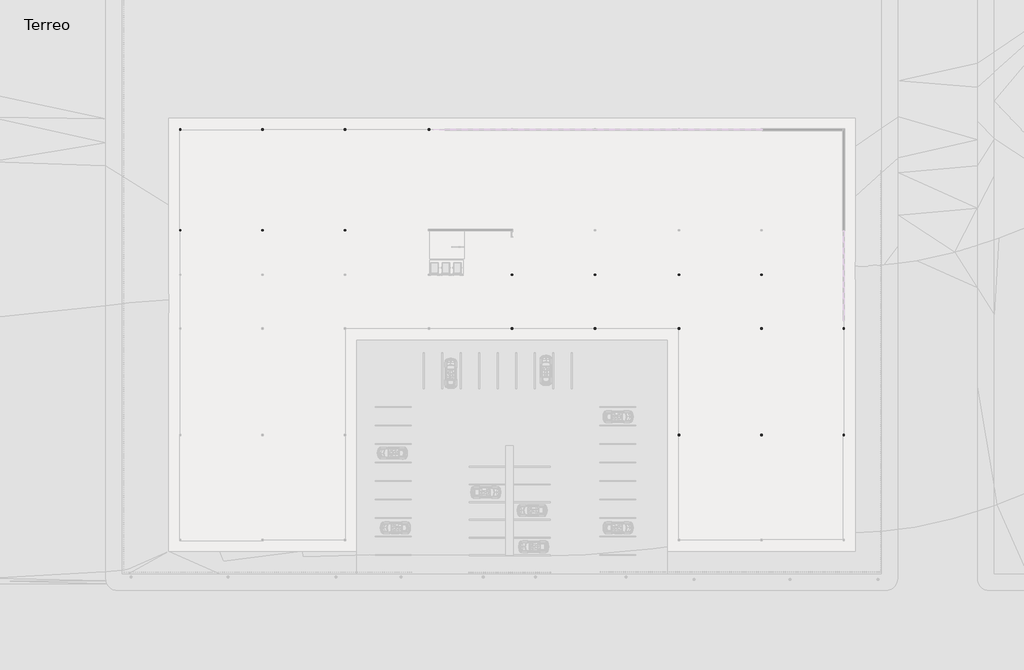
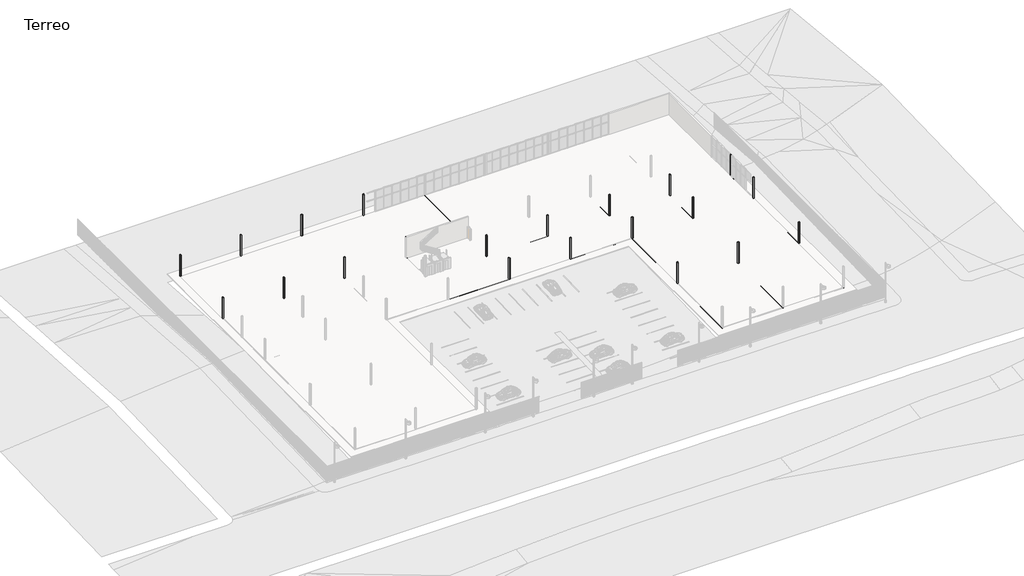
# One storey, part 12 of 14: 43 beams, 22 columns.
"""IFC4 building model written with IfcOpenShell, lengths in millimetres."""

from ifc_helpers import new_model, si_unit, frame, origin, place, context, project, spatial, polyline, outline, extrude, faceted_brep, element, save

model = new_model("IFC4")

# Units and contexts
model_context = context("Model", 3, world=origin())
ifc_project = project(units=[si_unit("LENGTHUNIT", "METRE", prefix="MILLI")], contexts=[model_context])

# Site, building, storey
site = spatial("IfcSite", under=ifc_project)
building = spatial("IfcBuilding", under=site)
storey = spatial("IfcBuildingStorey", under=building, Name="Terreo", Elevation=3000.0)

# Beams
placement = place(None, origin())
element("IfcBeam", 1, ObjectType="M_Concrete-Rectangular Beam : viga 20 x 30", at=placement, inside=storey, context=model_context, shape_type="Brep", body=[
    faceted_brep([(-34462.3640117, 47992.3438207, 2950.0), (-34662.3640117, 47992.3438207, 2950.0), (-34662.3640117, 34682.429968, 2950.0), (-34462.3640117, 34682.429968, 2950.0), (-34462.3640117, 47792.3438207, 2950.0), (-34462.3640117, 47992.3438207, 2650.0), (-34462.3640117, 34682.429968, 2650.0), (-34462.3640117, 47792.3438207, 2650.0), (-34662.3640117, 47992.3438207, 2650.0), (-34662.3640117, 34682.429968, 2650.0)], [[[0, 1, 2, 3, 4]], [[5, 0, 4, 3, 6, 7]], [[8, 5, 7, 6, 9]], [[1, 8, 9, 2]], [[1, 0, 5, 8]], [[3, 2, 9, 6]]]),
])
element("IfcBeam", 2, ObjectType="M_Concrete-Rectangular Beam : viga 20 x 30", at=placement, inside=storey, context=model_context, shape_type="Brep", body=[
    faceted_brep([(-12662.3640117, 47992.3438207, 2950.0), (-12862.3640117, 47992.3438207, 2950.0), (-12862.3640117, 47792.3438207, 2950.0), (-12862.3640117, 34682.429968, 2950.0), (-12662.3640117, 34682.429968, 2950.0), (-12662.3640117, 47792.3438207, 2950.0), (-12662.3640117, 47992.3438207, 2650.0), (-12662.3640117, 34682.429968, 2650.0), (-12662.3640117, 47792.3438207, 2650.0), (-12862.3640117, 47992.3438207, 2650.0), (-12862.3640117, 34682.429968, 2650.0), (-12862.3640117, 47792.3438207, 2650.0)], [[[0, 1, 2, 3, 4, 5]], [[6, 0, 5, 4, 7, 8]], [[9, 6, 8, 7, 10, 11]], [[1, 9, 11, 10, 3, 2]], [[1, 0, 6, 9]], [[4, 3, 10, 7]]]),
])
element("IfcBeam", 3, ObjectType="M_Concrete-Rectangular Beam : viga 20 x 30", at=placement, inside=storey, context=model_context, shape_type="Brep", body=[
    faceted_brep([(31537.6359883, 7592.3438207, 2950.0), (31337.6359883, 7592.3438207, 2950.0), (31337.6359883, -6507.6561793, 2950.0), (31537.6359883, -6507.6561793, 2950.0), (31537.6359883, -6307.6561793, 2950.0), (31537.6359883, 7392.3438207, 2950.0), (31537.6359883, 7592.3438207, 2650.0), (31537.6359883, -6507.6561793, 2650.0), (31537.6359883, -6307.6561793, 2650.0), (31537.6359883, 7392.3438207, 2650.0), (31337.6359883, 7592.3438207, 2650.0), (31337.6359883, -6507.6561793, 2650.0)], [[[0, 1, 2, 3, 4, 5]], [[6, 0, 5, 4, 3, 7, 8, 9]], [[10, 6, 9, 8, 7, 11]], [[1, 10, 11, 2]], [[1, 0, 6, 10]], [[3, 2, 11, 7]]]),
])
element("IfcBeam", 4, ObjectType="M_Concrete-Rectangular Beam : viga 20 x 30", at=placement, inside=storey, context=model_context, shape_type="Brep", body=[
    faceted_brep([(31537.6359883, 21692.3438207, 2950.0), (31337.6359883, 21692.3438207, 2950.0), (31337.6359883, 21492.3438207, 2950.0), (31337.6359883, 7592.3438207, 2950.0), (31537.6359883, 7592.3438207, 2950.0), (31537.6359883, 21492.3438207, 2950.0), (31537.6359883, 21692.3438207, 2650.0), (31537.6359883, 7592.3438207, 2650.0), (31537.6359883, 21492.3438207, 2650.0), (31337.6359883, 21692.3438207, 2650.0), (31337.6359883, 7592.3438207, 2650.0), (31337.6359883, 21492.3438207, 2650.0)], [[[0, 1, 2, 3, 4, 5]], [[6, 0, 5, 4, 7, 8]], [[9, 6, 8, 7, 10, 11]], [[1, 9, 11, 10, 3, 2]], [[1, 0, 6, 9]], [[4, 3, 10, 7]]]),
])
element("IfcBeam", 5, ObjectType="M_Concrete-Rectangular Beam : viga 20 x 30", at=placement, inside=storey, context=model_context, shape_type="Brep", body=[
    faceted_brep([(31537.6359883, 28792.3438207, 2950.0), (31337.6359883, 28792.3438207, 2950.0), (31337.6359883, 28592.3438207, 2950.0), (31337.6359883, 21692.3438207, 2950.0), (31537.6359883, 21692.3438207, 2950.0), (31537.6359883, 28592.3438207, 2950.0), (31537.6359883, 28792.3438207, 2650.0), (31537.6359883, 21692.3438207, 2650.0), (31537.6359883, 28592.3438207, 2650.0), (31337.6359883, 28792.3438207, 2650.0), (31337.6359883, 21692.3438207, 2650.0), (31337.6359883, 28592.3438207, 2650.0)], [[[0, 1, 2, 3, 4, 5]], [[6, 0, 5, 4, 7, 8]], [[9, 6, 8, 7, 10, 11]], [[1, 9, 11, 10, 3, 2]], [[1, 0, 6, 9]], [[4, 3, 10, 7]]]),
])
element("IfcBeam", 6, ObjectType="M_Concrete-Rectangular Beam : viga 20 x 30", at=placement, inside=storey, context=model_context, shape_type="Brep", body=[
    faceted_brep([(31537.6359883, 34682.429968, 2950.0), (31337.6359883, 34682.429968, 2950.0), (31337.6359883, 34482.429968, 2950.0), (31337.6359883, 28792.3438207, 2950.0), (31537.6359883, 28792.3438207, 2950.0), (31537.6359883, 34482.429968, 2950.0), (31537.6359883, 34682.429968, 2650.0), (31537.6359883, 28792.3438207, 2650.0), (31537.6359883, 34482.429968, 2650.0), (31337.6359883, 34682.429968, 2650.0), (31337.6359883, 28792.3438207, 2650.0), (31337.6359883, 34482.429968, 2650.0)], [[[0, 1, 2, 3, 4, 5]], [[6, 0, 5, 4, 7, 8]], [[9, 6, 8, 7, 10, 11]], [[1, 9, 11, 10, 3, 2]], [[1, 0, 6, 9]], [[4, 3, 10, 7]]]),
])
element("IfcBeam", 7, ObjectType="M_Concrete-Rectangular Beam : viga 20 x 30", at=placement, inside=storey, context=model_context, shape_type="Brep", body=[
    faceted_brep([(53337.6359883, 7592.3438207, 2950.0), (53137.6359883, 7592.3438207, 2950.0), (53137.6359883, 7392.3438207, 2950.0), (53137.6359883, -6307.6561793, 2950.0), (53137.6359883, -6507.6561793, 2950.0), (53337.6359883, -6507.6561793, 2950.0), (53337.6359883, 7592.3438207, 2650.0), (53337.6359883, -6507.6561793, 2650.0), (53137.6359883, 7592.3438207, 2650.0), (53137.6359883, -6507.6561793, 2650.0), (53137.6359883, -6307.6561793, 2650.0), (53137.6359883, 7392.3438207, 2650.0)], [[[0, 1, 2, 3, 4, 5]], [[6, 0, 5, 7]], [[8, 6, 7, 9, 10, 11]], [[1, 8, 11, 10, 9, 4, 3, 2]], [[1, 0, 6, 8]], [[5, 4, 9, 7]]]),
])
element("IfcBeam", 8, ObjectType="M_Concrete-Rectangular Beam : viga 20 x 30", at=placement, inside=storey, context=model_context, shape_type="Brep", body=[
    faceted_brep([(53337.6359883, 21692.3438207, 2950.0), (53137.6359883, 21692.3438207, 2950.0), (53137.6359883, 21492.3438207, 2950.0), (53137.6359883, 7592.3438207, 2950.0), (53337.6359883, 7592.3438207, 2950.0), (53337.6359883, 21692.3438207, 2650.0), (53337.6359883, 7592.3438207, 2650.0), (53137.6359883, 21692.3438207, 2650.0), (53137.6359883, 7592.3438207, 2650.0), (53137.6359883, 21492.3438207, 2650.0)], [[[0, 1, 2, 3, 4]], [[5, 0, 4, 6]], [[7, 5, 6, 8, 9]], [[1, 7, 9, 8, 3, 2]], [[1, 0, 5, 7]], [[4, 3, 8, 6]]]),
])
element("IfcBeam", 9, ObjectType="M_Concrete-Rectangular Beam : viga 20 x 30", at=placement, inside=storey, context=model_context, shape_type="Brep", body=[
    faceted_brep([(53337.6359883, 28792.3438207, 2950.0), (53137.6359883, 28792.3438207, 2950.0), (53137.6359883, 28592.3438207, 2950.0), (53137.6359883, 21692.3438207, 2950.0), (53337.6359883, 21692.3438207, 2950.0), (53337.6359883, 28792.3438207, 2650.0), (53337.6359883, 21692.3438207, 2650.0), (53137.6359883, 28792.3438207, 2650.0), (53137.6359883, 21692.3438207, 2650.0), (53137.6359883, 28592.3438207, 2650.0)], [[[0, 1, 2, 3, 4]], [[5, 0, 4, 6]], [[7, 5, 6, 8, 9]], [[1, 7, 9, 8, 3, 2]], [[1, 0, 5, 7]], [[4, 3, 8, 6]]]),
])
element("IfcBeam", 10, ObjectType="M_Concrete-Rectangular Beam : viga 20 x 30", at=placement, inside=storey, context=model_context, shape_type="Brep", body=[
    faceted_brep([(53337.6359883, 34682.429968, 2950.0), (53137.6359883, 34682.429968, 2950.0), (53137.6359883, 34482.429968, 2950.0), (53137.6359883, 28792.3438207, 2950.0), (53337.6359883, 28792.3438207, 2950.0), (53337.6359883, 34682.429968, 2650.0), (53337.6359883, 28792.3438207, 2650.0), (53137.6359883, 34682.429968, 2650.0), (53137.6359883, 28792.3438207, 2650.0), (53137.6359883, 34482.429968, 2650.0)], [[[0, 1, 2, 3, 4]], [[5, 0, 4, 6]], [[7, 5, 6, 8, 9]], [[1, 7, 9, 8, 3, 2]], [[1, 0, 5, 7]], [[4, 3, 8, 6]]]),
])
element("IfcBeam", 11, ObjectType="M_Concrete-Rectangular Beam : viga 20 x 30", at=placement, inside=storey, context=model_context, shape_type="Brep", body=[
    faceted_brep([(-23562.3640117, 47992.3438207, 2950.0), (-23762.3640117, 47992.3438207, 2950.0), (-23762.3640117, 47792.3438207, 2950.0), (-23762.3640117, 34682.429968, 2950.0), (-23562.3640117, 34682.429968, 2950.0), (-23562.3640117, 47792.3438207, 2950.0), (-23562.3640117, 47992.3438207, 2650.0), (-23562.3640117, 34682.429968, 2650.0), (-23562.3640117, 47792.3438207, 2650.0), (-23762.3640117, 47992.3438207, 2650.0), (-23762.3640117, 34682.429968, 2650.0), (-23762.3640117, 47792.3438207, 2650.0)], [[[0, 1, 2, 3, 4, 5]], [[6, 0, 5, 4, 7, 8]], [[9, 6, 8, 7, 10, 11]], [[1, 9, 11, 10, 3, 2]], [[1, 0, 6, 9]], [[4, 3, 10, 7]]]),
])
element("IfcBeam", 12, ObjectType="M_Concrete-Rectangular Beam : viga 20 x 30", at=placement, inside=storey, context=model_context, shape_type="Brep", body=[
    faceted_brep([(42437.6359883, 7592.3438207, 2950.0), (42237.6359883, 7592.3438207, 2950.0), (42237.6359883, 7392.3438207, 2950.0), (42237.6359883, -6307.6561793, 2950.0), (42237.6359883, -6507.6561793, 2950.0), (42437.6359883, -6507.6561793, 2950.0), (42437.6359883, -6307.6561793, 2950.0), (42437.6359883, 7392.3438207, 2950.0), (42437.6359883, 7592.3438207, 2650.0), (42437.6359883, -6507.6561793, 2650.0), (42437.6359883, -6307.6561793, 2650.0), (42437.6359883, 7392.3438207, 2650.0), (42237.6359883, 7592.3438207, 2650.0), (42237.6359883, -6507.6561793, 2650.0), (42237.6359883, -6307.6561793, 2650.0), (42237.6359883, 7392.3438207, 2650.0)], [[[0, 1, 2, 3, 4, 5, 6, 7]], [[8, 0, 7, 6, 5, 9, 10, 11]], [[12, 8, 11, 10, 9, 13, 14, 15]], [[1, 12, 15, 14, 13, 4, 3, 2]], [[1, 0, 8, 12]], [[5, 4, 13, 9]]]),
])
element("IfcBeam", 13, ObjectType="M_Concrete-Rectangular Beam : viga 20 x 30", at=placement, inside=storey, context=model_context, shape_type="Brep", body=[
    faceted_brep([(42437.6359883, 21692.3438207, 2950.0), (42237.6359883, 21692.3438207, 2950.0), (42237.6359883, 21492.3438207, 2950.0), (42237.6359883, 7592.3438207, 2950.0), (42437.6359883, 7592.3438207, 2950.0), (42437.6359883, 21492.3438207, 2950.0), (42437.6359883, 21692.3438207, 2650.0), (42437.6359883, 7592.3438207, 2650.0), (42437.6359883, 21492.3438207, 2650.0), (42237.6359883, 21692.3438207, 2650.0), (42237.6359883, 7592.3438207, 2650.0), (42237.6359883, 21492.3438207, 2650.0)], [[[0, 1, 2, 3, 4, 5]], [[6, 0, 5, 4, 7, 8]], [[9, 6, 8, 7, 10, 11]], [[1, 9, 11, 10, 3, 2]], [[1, 0, 6, 9]], [[4, 3, 10, 7]]]),
])
element("IfcBeam", 14, ObjectType="M_Concrete-Rectangular Beam : viga 20 x 30", at=placement, inside=storey, context=model_context, shape_type="Brep", body=[
    faceted_brep([(42437.6359883, 28792.3438207, 2950.0), (42237.6359883, 28792.3438207, 2950.0), (42237.6359883, 28592.3438207, 2950.0), (42237.6359883, 21692.3438207, 2950.0), (42437.6359883, 21692.3438207, 2950.0), (42437.6359883, 28592.3438207, 2950.0), (42437.6359883, 28792.3438207, 2650.0), (42437.6359883, 21692.3438207, 2650.0), (42437.6359883, 28592.3438207, 2650.0), (42237.6359883, 28792.3438207, 2650.0), (42237.6359883, 21692.3438207, 2650.0), (42237.6359883, 28592.3438207, 2650.0)], [[[0, 1, 2, 3, 4, 5]], [[6, 0, 5, 4, 7, 8]], [[9, 6, 8, 7, 10, 11]], [[1, 9, 11, 10, 3, 2]], [[1, 0, 6, 9]], [[4, 3, 10, 7]]]),
])
element("IfcBeam", 15, ObjectType="M_Concrete-Rectangular Beam : viga 20 x 30", at=placement, inside=storey, context=model_context, shape_type="Brep", body=[
    faceted_brep([(42437.6359883, 34682.429968, 2950.0), (42237.6359883, 34682.429968, 2950.0), (42237.6359883, 34482.429968, 2950.0), (42237.6359883, 28792.3438207, 2950.0), (42437.6359883, 28792.3438207, 2950.0), (42437.6359883, 34482.429968, 2950.0), (42437.6359883, 34682.429968, 2650.0), (42437.6359883, 28792.3438207, 2650.0), (42437.6359883, 34482.429968, 2650.0), (42237.6359883, 34682.429968, 2650.0), (42237.6359883, 28792.3438207, 2650.0), (42237.6359883, 34482.429968, 2650.0)], [[[0, 1, 2, 3, 4, 5]], [[6, 0, 5, 4, 7, 8]], [[9, 6, 8, 7, 10, 11]], [[1, 9, 11, 10, 3, 2]], [[1, 0, 6, 9]], [[4, 3, 10, 7]]]),
])
element("IfcBeam", 16, ObjectType="M_Concrete-Rectangular Beam : viga 20 x 30", at=placement, inside=storey, context=model_context, shape_type="Brep", body=[
    faceted_brep([(9437.6359883, 28792.3438207, 2950.0), (9237.6359883, 28792.3438207, 2950.0), (9237.6359883, 28592.3438207, 2950.0), (9237.6359883, 21692.3438207, 2950.0), (9237.6359883, 21492.3438207, 2950.0), (9437.6359883, 21492.3438207, 2950.0), (9437.6359883, 21692.3438207, 2950.0), (9437.6359883, 28592.3438207, 2950.0), (9437.6359883, 28792.3438207, 2650.0), (9437.6359883, 21492.3438207, 2650.0), (9437.6359883, 21692.3438207, 2650.0), (9437.6359883, 28592.3438207, 2650.0), (9237.6359883, 28792.3438207, 2650.0), (9237.6359883, 21492.3438207, 2650.0), (9237.6359883, 21692.3438207, 2650.0), (9237.6359883, 28592.3438207, 2650.0)], [[[0, 1, 2, 3, 4, 5, 6, 7]], [[8, 0, 7, 6, 5, 9, 10, 11]], [[12, 8, 11, 10, 9, 13, 14, 15]], [[1, 12, 15, 14, 13, 4, 3, 2]], [[1, 0, 8, 12]], [[5, 4, 13, 9]]]),
])
element("IfcBeam", 17, ObjectType="M_Concrete-Rectangular Beam : viga 20 x 30", at=placement, inside=storey, context=model_context, shape_type="Brep", body=[
    faceted_brep([(9437.6359883, 34682.429968, 2950.0), (9237.6359883, 34682.429968, 2950.0), (9237.6359883, 34482.429968, 2950.0), (9237.6359883, 28792.3438207, 2950.0), (9437.6359883, 28792.3438207, 2950.0), (9437.6359883, 34482.429968, 2950.0), (9437.6359883, 34682.429968, 2650.0), (9437.6359883, 28792.3438207, 2650.0), (9437.6359883, 34482.429968, 2650.0), (9237.6359883, 34682.429968, 2650.0), (9237.6359883, 28792.3438207, 2650.0), (9237.6359883, 34482.429968, 2650.0)], [[[0, 1, 2, 3, 4, 5]], [[6, 0, 5, 4, 7, 8]], [[9, 6, 8, 7, 10, 11]], [[1, 9, 11, 10, 3, 2]], [[1, 0, 6, 9]], [[4, 3, 10, 7]]]),
])
element("IfcBeam", 18, ObjectType="M_Concrete-Rectangular Beam : viga 20 x 30", at=placement, inside=storey, context=model_context, shape_type="Brep", body=[
    faceted_brep([(9437.6359883, 47992.3438207, 2950.0), (9237.6359883, 47992.3438207, 2950.0), (9237.6359883, 47792.3438207, 2950.0), (9237.6359883, 34682.429968, 2950.0), (9437.6359883, 34682.429968, 2950.0), (9437.6359883, 47792.3438207, 2950.0), (9437.6359883, 47992.3438207, 2650.0), (9437.6359883, 34682.429968, 2650.0), (9437.6359883, 47792.3438207, 2650.0), (9237.6359883, 47992.3438207, 2650.0), (9237.6359883, 34682.429968, 2650.0), (9237.6359883, 47792.3438207, 2650.0)], [[[0, 1, 2, 3, 4, 5]], [[6, 0, 5, 4, 7, 8]], [[9, 6, 8, 7, 10, 11]], [[1, 9, 11, 10, 3, 2]], [[1, 0, 6, 9]], [[4, 3, 10, 7]]]),
])
element("IfcBeam", 19, ObjectType="M_Concrete-Rectangular Beam : viga 20 x 30", at=placement, inside=storey, context=model_context, shape_type="Brep", body=[
    faceted_brep([(20437.6359883, 28792.3438207, 2950.0), (20237.6359883, 28792.3438207, 2950.0), (20237.6359883, 28592.3438207, 2950.0), (20237.6359883, 21692.3438207, 2950.0), (20237.6359883, 21492.3438207, 2950.0), (20437.6359883, 21492.3438207, 2950.0), (20437.6359883, 21692.3438207, 2950.0), (20437.6359883, 28592.3438207, 2950.0), (20437.6359883, 28792.3438207, 2650.0), (20437.6359883, 21492.3438207, 2650.0), (20437.6359883, 21692.3438207, 2650.0), (20437.6359883, 28592.3438207, 2650.0), (20237.6359883, 28792.3438207, 2650.0), (20237.6359883, 21492.3438207, 2650.0), (20237.6359883, 21692.3438207, 2650.0), (20237.6359883, 28592.3438207, 2650.0)], [[[0, 1, 2, 3, 4, 5, 6, 7]], [[8, 0, 7, 6, 5, 9, 10, 11]], [[12, 8, 11, 10, 9, 13, 14, 15]], [[1, 12, 15, 14, 13, 4, 3, 2]], [[1, 0, 8, 12]], [[5, 4, 13, 9]]]),
])
element("IfcBeam", 20, ObjectType="M_Concrete-Rectangular Beam : viga 20 x 30", at=placement, inside=storey, context=model_context, shape_type="Brep", body=[
    faceted_brep([(20437.6359883, 34682.429968, 2950.0), (20237.6359883, 34682.429968, 2950.0), (20237.6359883, 34482.429968, 2950.0), (20237.6359883, 28792.3438207, 2950.0), (20437.6359883, 28792.3438207, 2950.0), (20437.6359883, 34482.429968, 2950.0), (20437.6359883, 34682.429968, 2650.0), (20437.6359883, 28792.3438207, 2650.0), (20437.6359883, 34482.429968, 2650.0), (20237.6359883, 34682.429968, 2650.0), (20237.6359883, 28792.3438207, 2650.0), (20237.6359883, 34482.429968, 2650.0)], [[[0, 1, 2, 3, 4, 5]], [[6, 0, 5, 4, 7, 8]], [[9, 6, 8, 7, 10, 11]], [[1, 9, 11, 10, 3, 2]], [[1, 0, 6, 9]], [[4, 3, 10, 7]]]),
])
element("IfcBeam", 21, ObjectType="M_Concrete-Rectangular Beam : viga 20 x 30", at=placement, inside=storey, context=model_context, shape_type="Brep", body=[
    faceted_brep([(-1562.3640117, 34682.429968, 2950.0), (-1762.3640117, 34682.429968, 2950.0), (-1762.3640117, 34482.429968, 2950.0), (-1762.3640117, 28792.3438207, 2950.0), (-1562.3640117, 28792.3438207, 2950.0), (-1562.3640117, 34482.429968, 2950.0), (-1562.3640117, 34682.429968, 2650.0), (-1562.3640117, 28792.3438207, 2650.0), (-1562.3640117, 34482.429968, 2650.0), (-1762.3640117, 34682.429968, 2650.0), (-1762.3640117, 28792.3438207, 2650.0), (-1762.3640117, 34482.429968, 2650.0)], [[[0, 1, 2, 3, 4, 5]], [[6, 0, 5, 4, 7, 8]], [[9, 6, 8, 7, 10, 11]], [[1, 9, 11, 10, 3, 2]], [[1, 0, 6, 9]], [[4, 3, 10, 7]]]),
])
element("IfcBeam", 22, ObjectType="M_Concrete-Rectangular Beam : viga 20 x 30", at=placement, inside=storey, context=model_context, shape_type="Brep", body=[
    faceted_brep([(-1562.3640117, 47992.3438207, 2950.0), (-1762.3640117, 47992.3438207, 2950.0), (-1762.3640117, 47792.3438207, 2950.0), (-1762.3640117, 34682.429968, 2950.0), (-1562.3640117, 34682.429968, 2950.0), (-1562.3640117, 47792.3438207, 2950.0), (-1562.3640117, 47992.3438207, 2650.0), (-1562.3640117, 34682.429968, 2650.0), (-1562.3640117, 47792.3438207, 2650.0), (-1762.3640117, 47992.3438207, 2650.0), (-1762.3640117, 34682.429968, 2650.0), (-1762.3640117, 47792.3438207, 2650.0)], [[[0, 1, 2, 3, 4, 5]], [[6, 0, 5, 4, 7, 8]], [[9, 6, 8, 7, 10, 11]], [[1, 9, 11, 10, 3, 2]], [[1, 0, 6, 9]], [[4, 3, 10, 7]]]),
])
element("IfcBeam", 23, ObjectType="M_Concrete-Rectangular Beam : viga 20 x 30", at=placement, inside=storey, context=model_context, shape_type="SweptSolid", body=[
    extrude(outline(polyline([(-34462.3640117, 47792.3438207), (-34462.3640117, 47992.3438207), (-23762.3640117, 47992.3438207), (-23762.3640117, 47792.3438207), (-34462.3640117, 47792.3438207)])), frame((0.0, 0.0, 2650.0), z_axis=(0.0, 0.0, 1.0), x_axis=(1.0, 0.0, 0.0)), (0.0, 0.0, 1.0), 300.0),
])
element("IfcBeam", 24, ObjectType="M_Concrete-Rectangular Beam : viga 20 x 30", at=placement, inside=storey, context=model_context, shape_type="SweptSolid", body=[
    extrude(outline(polyline([(-12862.3640117, 47992.3438207), (-12862.3640117, 47792.3438207), (-23562.3640117, 47792.3438207), (-23562.3640117, 47992.3438207), (-12862.3640117, 47992.3438207)])), frame((0.0, 0.0, 2650.0), z_axis=(0.0, 0.0, 1.0), x_axis=(1.0, 0.0, 0.0)), (0.0, 0.0, 1.0), 300.0),
])
element("IfcBeam", 25, ObjectType="M_Concrete-Rectangular Beam : viga 20 x 30", at=placement, inside=storey, context=model_context, shape_type="SweptSolid", body=[
    extrude(outline(polyline([(-12662.3640117, 47792.3438207), (-12662.3640117, 47992.3438207), (-1762.3640117, 47992.3438207), (-1762.3640117, 47792.3438207), (-12662.3640117, 47792.3438207)])), frame((0.0, 0.0, 2650.0), z_axis=(0.0, 0.0, 1.0), x_axis=(1.0, 0.0, 0.0)), (0.0, 0.0, 1.0), 300.0),
])
element("IfcBeam", 26, ObjectType="M_Concrete-Rectangular Beam : viga 20 x 30", at=placement, inside=storey, context=model_context, shape_type="SweptSolid", body=[
    extrude(outline(polyline([(9237.6359883, 47992.3438207), (9237.6359883, 47792.3438207), (-1562.3640117, 47792.3438207), (-1562.3640117, 47992.3438207), (9237.6359883, 47992.3438207)])), frame((0.0, 0.0, 2650.0), z_axis=(0.0, 0.0, 1.0), x_axis=(1.0, 0.0, 0.0)), (0.0, 0.0, 1.0), 300.0),
])
element("IfcBeam", 27, ObjectType="M_Concrete-Rectangular Beam : viga 20 x 30", at=placement, inside=storey, context=model_context, shape_type="SweptSolid", body=[
    extrude(outline(polyline([(9237.6359883, 21692.3438207), (9237.6359883, 21492.3438207), (-1562.3640117, 21492.3438207), (-1562.3640117, 21692.3438207), (9237.6359883, 21692.3438207)])), frame((0.0, 0.0, 2650.0), z_axis=(0.0, 0.0, 1.0), x_axis=(1.0, 0.0, 0.0)), (0.0, 0.0, 1.0), 300.0),
])
element("IfcBeam", 28, ObjectType="M_Concrete-Rectangular Beam : viga 20 x 30", at=placement, inside=storey, context=model_context, shape_type="SweptSolid", body=[
    extrude(outline(polyline([(9437.6359883, 21492.3438207), (9437.6359883, 21692.3438207), (20237.6359883, 21692.3438207), (20237.6359883, 21492.3438207), (9437.6359883, 21492.3438207)])), frame((0.0, 0.0, 2650.0), z_axis=(0.0, 0.0, 1.0), x_axis=(1.0, 0.0, 0.0)), (0.0, 0.0, 1.0), 300.0),
])
element("IfcBeam", 29, ObjectType="M_Concrete-Rectangular Beam : viga 20 x 30", at=placement, inside=storey, context=model_context, shape_type="SweptSolid", body=[
    extrude(outline(polyline([(31337.6359883, 21692.3438207), (31337.6359883, 21492.3438207), (20437.6359883, 21492.3438207), (20437.6359883, 21692.3438207), (31337.6359883, 21692.3438207)])), frame((0.0, 0.0, 2650.0), z_axis=(0.0, 0.0, 1.0), x_axis=(1.0, 0.0, 0.0)), (0.0, 0.0, 1.0), 300.0),
])
element("IfcBeam", 30, ObjectType="M_Concrete-Rectangular Beam : viga 20 x 30", at=placement, inside=storey, context=model_context, shape_type="SweptSolid", body=[
    extrude(outline(polyline([(31537.6359883, 21492.3438207), (31537.6359883, 21692.3438207), (42237.6359883, 21692.3438207), (42237.6359883, 21492.3438207), (31537.6359883, 21492.3438207)])), frame((0.0, 0.0, 2650.0), z_axis=(0.0, 0.0, 1.0), x_axis=(1.0, 0.0, 0.0)), (0.0, 0.0, 1.0), 300.0),
])
element("IfcBeam", 31, ObjectType="M_Concrete-Rectangular Beam : viga 20 x 30", at=placement, inside=storey, context=model_context, shape_type="SweptSolid", body=[
    extrude(outline(polyline([(53137.6359883, 21692.3438207), (53137.6359883, 21492.3438207), (42437.6359883, 21492.3438207), (42437.6359883, 21692.3438207), (53137.6359883, 21692.3438207)])), frame((0.0, 0.0, 2650.0), z_axis=(0.0, 0.0, 1.0), x_axis=(1.0, 0.0, 0.0)), (0.0, 0.0, 1.0), 300.0),
])
element("IfcBeam", 32, ObjectType="M_Concrete-Rectangular Beam : viga 20 x 30", at=placement, inside=storey, context=model_context, shape_type="SweptSolid", body=[
    extrude(outline(polyline([(-34462.3640117, 34482.429968), (-34462.3640117, 34682.429968), (-23762.3640117, 34682.429968), (-23762.3640117, 34482.429968), (-34462.3640117, 34482.429968)])), frame((0.0, 0.0, 2650.0), z_axis=(0.0, 0.0, 1.0), x_axis=(1.0, 0.0, 0.0)), (0.0, 0.0, 1.0), 300.0),
])
element("IfcBeam", 33, ObjectType="M_Concrete-Rectangular Beam : viga 20 x 30", at=placement, inside=storey, context=model_context, shape_type="SweptSolid", body=[
    extrude(outline(polyline([(-12862.3640117, 34682.429968), (-12862.3640117, 34482.429968), (-23562.3640117, 34482.429968), (-23562.3640117, 34682.429968), (-12862.3640117, 34682.429968)])), frame((0.0, 0.0, 2650.0), z_axis=(0.0, 0.0, 1.0), x_axis=(1.0, 0.0, 0.0)), (0.0, 0.0, 1.0), 300.0),
])
element("IfcBeam", 34, ObjectType="M_Concrete-Rectangular Beam : viga 20 x 30", at=placement, inside=storey, context=model_context, shape_type="SweptSolid", body=[
    extrude(outline(polyline([(-12662.3640117, 34482.429968), (-12662.3640117, 34682.429968), (-1762.3640117, 34682.429968), (-1762.3640117, 34482.429968), (-12662.3640117, 34482.429968)])), frame((0.0, 0.0, 2650.0), z_axis=(0.0, 0.0, 1.0), x_axis=(1.0, 0.0, 0.0)), (0.0, 0.0, 1.0), 300.0),
])
element("IfcBeam", 35, ObjectType="M_Concrete-Rectangular Beam : viga 20 x 30", at=placement, inside=storey, context=model_context, shape_type="SweptSolid", body=[
    extrude(outline(polyline([(9237.6359883, 34682.429968), (9237.6359883, 34482.429968), (-1562.3640117, 34482.429968), (-1562.3640117, 34682.429968), (9237.6359883, 34682.429968)])), frame((0.0, 0.0, 2650.0), z_axis=(0.0, 0.0, 1.0), x_axis=(1.0, 0.0, 0.0)), (0.0, 0.0, 1.0), 300.0),
])
element("IfcBeam", 36, ObjectType="M_Concrete-Rectangular Beam : viga 20 x 30", at=placement, inside=storey, context=model_context, shape_type="SweptSolid", body=[
    extrude(outline(polyline([(9437.6359883, 34482.429968), (9437.6359883, 34682.429968), (20237.6359883, 34682.429968), (20237.6359883, 34482.429968), (9437.6359883, 34482.429968)])), frame((0.0, 0.0, 2650.0), z_axis=(0.0, 0.0, 1.0), x_axis=(1.0, 0.0, 0.0)), (0.0, 0.0, 1.0), 300.0),
])
element("IfcBeam", 37, ObjectType="M_Concrete-Rectangular Beam : viga 20 x 30", at=placement, inside=storey, context=model_context, shape_type="SweptSolid", body=[
    extrude(outline(polyline([(9237.6359883, 28792.3438207), (9237.6359883, 28592.3438207), (-1562.3640117, 28592.3438207), (-1562.3640117, 28792.3438207), (9237.6359883, 28792.3438207)])), frame((0.0, 0.0, 2650.0), z_axis=(0.0, 0.0, 1.0), x_axis=(1.0, 0.0, 0.0)), (0.0, 0.0, 1.0), 300.0),
])
element("IfcBeam", 38, ObjectType="M_Concrete-Rectangular Beam : viga 20 x 30", at=placement, inside=storey, context=model_context, shape_type="SweptSolid", body=[
    extrude(outline(polyline([(9437.6359883, 28592.3438207), (9437.6359883, 28792.3438207), (20237.6359883, 28792.3438207), (20237.6359883, 28592.3438207), (9437.6359883, 28592.3438207)])), frame((0.0, 0.0, 2650.0), z_axis=(0.0, 0.0, 1.0), x_axis=(1.0, 0.0, 0.0)), (0.0, 0.0, 1.0), 300.0),
])
element("IfcBeam", 39, ObjectType="M_Concrete-Rectangular Beam : viga 20 x 30", at=placement, inside=storey, context=model_context, shape_type="SweptSolid", body=[
    extrude(outline(polyline([(31337.6359883, 28792.3438207), (31337.6359883, 28592.3438207), (20437.6359883, 28592.3438207), (20437.6359883, 28792.3438207), (31337.6359883, 28792.3438207)])), frame((0.0, 0.0, 2650.0), z_axis=(0.0, 0.0, 1.0), x_axis=(1.0, 0.0, 0.0)), (0.0, 0.0, 1.0), 300.0),
])
element("IfcBeam", 40, ObjectType="M_Concrete-Rectangular Beam : viga 20 x 30", at=placement, inside=storey, context=model_context, shape_type="SweptSolid", body=[
    extrude(outline(polyline([(31537.6359883, 28592.3438207), (31537.6359883, 28792.3438207), (42237.6359883, 28792.3438207), (42237.6359883, 28592.3438207), (31537.6359883, 28592.3438207)])), frame((0.0, 0.0, 2650.0), z_axis=(0.0, 0.0, 1.0), x_axis=(1.0, 0.0, 0.0)), (0.0, 0.0, 1.0), 300.0),
])
element("IfcBeam", 41, ObjectType="M_Concrete-Rectangular Beam : viga 20 x 30", at=placement, inside=storey, context=model_context, shape_type="SweptSolid", body=[
    extrude(outline(polyline([(53137.6359883, 28792.3438207), (53137.6359883, 28592.3438207), (42437.6359883, 28592.3438207), (42437.6359883, 28792.3438207), (53137.6359883, 28792.3438207)])), frame((0.0, 0.0, 2650.0), z_axis=(0.0, 0.0, 1.0), x_axis=(1.0, 0.0, 0.0)), (0.0, 0.0, 1.0), 300.0),
])
element("IfcBeam", 42, ObjectType="M_Concrete-Rectangular Beam : viga 20 x 30", at=placement, inside=storey, context=model_context, shape_type="SweptSolid", body=[
    extrude(outline(polyline([(53137.6359883, 7592.3438207), (53137.6359883, 7392.3438207), (42437.6359883, 7392.3438207), (42437.6359883, 7592.3438207), (53137.6359883, 7592.3438207)])), frame((0.0, 0.0, 2650.0), z_axis=(0.0, 0.0, 1.0), x_axis=(1.0, 0.0, 0.0)), (0.0, 0.0, 1.0), 300.0),
])
element("IfcBeam", 43, ObjectType="M_Concrete-Rectangular Beam : viga 20 x 30", at=placement, inside=storey, context=model_context, shape_type="SweptSolid", body=[
    extrude(outline(polyline([(31537.6359883, 7392.3438207), (31537.6359883, 7592.3438207), (42237.6359883, 7592.3438207), (42237.6359883, 7392.3438207), (31537.6359883, 7392.3438207)])), frame((0.0, 0.0, 2650.0), z_axis=(0.0, 0.0, 1.0), x_axis=(1.0, 0.0, 0.0)), (0.0, 0.0, 1.0), 300.0),
])

# Columns
element("IfcColumn", 44, ObjectType="M_Concrete-Square-Column : pilar 18 x 18", at=placement, inside=storey, context=model_context, shape_type="SweptSolid", body=[
    extrude(outline(polyline([(-34472.3640117, 47982.3438207), (-34472.3640117, 47802.3438207), (-34652.3640117, 47802.3438207), (-34652.3640117, 47982.3438207), (-34472.3640117, 47982.3438207)])), frame((0.0, 0.0, 3000.0), z_axis=(0.0, 0.0, 1.0), x_axis=(1.0, 0.0, 0.0)), (0.0, 0.0, 1.0), 4000.0),
])
element("IfcColumn", 45, ObjectType="M_Concrete-Square-Column : pilar 18 x 18", at=placement, inside=storey, context=model_context, shape_type="SweptSolid", body=[
    extrude(outline(polyline([(-34472.3640117, 34672.429968), (-34472.3640117, 34492.429968), (-34652.3640117, 34492.429968), (-34652.3640117, 34672.429968), (-34472.3640117, 34672.429968)])), frame((0.0, 0.0, 3000.0), z_axis=(0.0, 0.0, 1.0), x_axis=(1.0, 0.0, 0.0)), (0.0, 0.0, 1.0), 4000.0),
])
element("IfcColumn", 46, ObjectType="M_Concrete-Square-Column : pilar 18 x 18", at=placement, inside=storey, context=model_context, shape_type="SweptSolid", body=[
    extrude(outline(polyline([(-12672.3640117, 47982.3438207), (-12672.3640117, 47802.3438207), (-12852.3640117, 47802.3438207), (-12852.3640117, 47982.3438207), (-12672.3640117, 47982.3438207)])), frame((0.0, 0.0, 3000.0), z_axis=(0.0, 0.0, 1.0), x_axis=(1.0, 0.0, 0.0)), (0.0, 0.0, 1.0), 4000.0),
])
element("IfcColumn", 47, ObjectType="M_Concrete-Square-Column : pilar 18 x 18", at=placement, inside=storey, context=model_context, shape_type="SweptSolid", body=[
    extrude(outline(polyline([(-12672.3640117, 34672.429968), (-12672.3640117, 34492.429968), (-12852.3640117, 34492.429968), (-12852.3640117, 34672.429968), (-12672.3640117, 34672.429968)])), frame((0.0, 0.0, 3000.0), z_axis=(0.0, 0.0, 1.0), x_axis=(1.0, 0.0, 0.0)), (0.0, 0.0, 1.0), 4000.0),
])
element("IfcColumn", 48, ObjectType="M_Concrete-Square-Column : pilar 18 x 18", at=placement, inside=storey, context=model_context, shape_type="SweptSolid", body=[
    extrude(outline(polyline([(31527.6359883, 21682.3438207), (31527.6359883, 21502.3438207), (31347.6359883, 21502.3438207), (31347.6359883, 21682.3438207), (31527.6359883, 21682.3438207)])), frame((0.0, 0.0, 3000.0), z_axis=(0.0, 0.0, 1.0), x_axis=(1.0, 0.0, 0.0)), (0.0, 0.0, 1.0), 4000.0),
])
element("IfcColumn", 49, ObjectType="M_Concrete-Square-Column : pilar 18 x 18", at=placement, inside=storey, context=model_context, shape_type="SweptSolid", body=[
    extrude(outline(polyline([(31527.6359883, 28782.3438207), (31527.6359883, 28602.3438207), (31347.6359883, 28602.3438207), (31347.6359883, 28782.3438207), (31527.6359883, 28782.3438207)])), frame((0.0, 0.0, 3000.0), z_axis=(0.0, 0.0, 1.0), x_axis=(1.0, 0.0, 0.0)), (0.0, 0.0, 1.0), 4000.0),
])
element("IfcColumn", 50, ObjectType="M_Concrete-Square-Column : pilar 18 x 18", at=placement, inside=storey, context=model_context, shape_type="SweptSolid", body=[
    extrude(outline(polyline([(31347.6359883, 7402.3438207), (31347.6359883, 7582.3438207), (31527.6359883, 7582.3438207), (31527.6359883, 7402.3438207), (31347.6359883, 7402.3438207)])), frame((0.0, 0.0, 3000.0), z_axis=(0.0, 0.0, 1.0), x_axis=(1.0, 0.0, 0.0)), (0.0, 0.0, 1.0), 4000.0),
])
element("IfcColumn", 51, ObjectType="M_Concrete-Square-Column : pilar 18 x 18", at=placement, inside=storey, context=model_context, shape_type="SweptSolid", body=[
    extrude(outline(polyline([(53327.6359883, 21682.3438207), (53327.6359883, 21502.3438207), (53147.6359883, 21502.3438207), (53147.6359883, 21682.3438207), (53327.6359883, 21682.3438207)])), frame((0.0, 0.0, 3000.0), z_axis=(0.0, 0.0, 1.0), x_axis=(1.0, 0.0, 0.0)), (0.0, 0.0, 1.0), 4000.0),
])
element("IfcColumn", 52, ObjectType="M_Concrete-Square-Column : pilar 18 x 18", at=placement, inside=storey, context=model_context, shape_type="SweptSolid", body=[
    extrude(outline(polyline([(53327.6359883, 28782.3438207), (53327.6359883, 28602.3438207), (53147.6359883, 28602.3438207), (53147.6359883, 28782.3438207), (53327.6359883, 28782.3438207)])), frame((0.0, 0.0, 3000.0), z_axis=(0.0, 0.0, 1.0), x_axis=(1.0, 0.0, 0.0)), (0.0, 0.0, 1.0), 4000.0),
])
element("IfcColumn", 53, ObjectType="M_Concrete-Square-Column : pilar 18 x 18", at=placement, inside=storey, context=model_context, shape_type="SweptSolid", body=[
    extrude(outline(polyline([(53147.6359883, 7402.3438207), (53147.6359883, 7582.3438207), (53327.6359883, 7582.3438207), (53327.6359883, 7402.3438207), (53147.6359883, 7402.3438207)])), frame((0.0, 0.0, 3000.0), z_axis=(0.0, 0.0, 1.0), x_axis=(1.0, 0.0, 0.0)), (0.0, 0.0, 1.0), 4000.0),
])
element("IfcColumn", 54, ObjectType="M_Concrete-Square-Column : pilar 18 x 18", at=placement, inside=storey, context=model_context, shape_type="SweptSolid", body=[
    extrude(outline(polyline([(-23572.3640117, 47982.3438207), (-23572.3640117, 47802.3438207), (-23752.3640117, 47802.3438207), (-23752.3640117, 47982.3438207), (-23572.3640117, 47982.3438207)])), frame((0.0, 0.0, 3000.0), z_axis=(0.0, 0.0, 1.0), x_axis=(1.0, 0.0, 0.0)), (0.0, 0.0, 1.0), 4000.0),
])
element("IfcColumn", 55, ObjectType="M_Concrete-Square-Column : pilar 18 x 18", at=placement, inside=storey, context=model_context, shape_type="SweptSolid", body=[
    extrude(outline(polyline([(-23572.3640117, 34672.429968), (-23572.3640117, 34492.429968), (-23752.3640117, 34492.429968), (-23752.3640117, 34672.429968), (-23572.3640117, 34672.429968)])), frame((0.0, 0.0, 3000.0), z_axis=(0.0, 0.0, 1.0), x_axis=(1.0, 0.0, 0.0)), (0.0, 0.0, 1.0), 4000.0),
])
element("IfcColumn", 56, ObjectType="M_Concrete-Square-Column : pilar 18 x 18", at=placement, inside=storey, context=model_context, shape_type="SweptSolid", body=[
    extrude(outline(polyline([(42427.6359883, 21682.3438207), (42427.6359883, 21502.3438207), (42247.6359883, 21502.3438207), (42247.6359883, 21682.3438207), (42427.6359883, 21682.3438207)])), frame((0.0, 0.0, 3000.0), z_axis=(0.0, 0.0, 1.0), x_axis=(1.0, 0.0, 0.0)), (0.0, 0.0, 1.0), 4000.0),
])
element("IfcColumn", 57, ObjectType="M_Concrete-Square-Column : pilar 18 x 18", at=placement, inside=storey, context=model_context, shape_type="SweptSolid", body=[
    extrude(outline(polyline([(42427.6359883, 28782.3438207), (42427.6359883, 28602.3438207), (42247.6359883, 28602.3438207), (42247.6359883, 28782.3438207), (42427.6359883, 28782.3438207)])), frame((0.0, 0.0, 3000.0), z_axis=(0.0, 0.0, 1.0), x_axis=(1.0, 0.0, 0.0)), (0.0, 0.0, 1.0), 4000.0),
])
element("IfcColumn", 58, ObjectType="M_Concrete-Square-Column : pilar 18 x 18", at=placement, inside=storey, context=model_context, shape_type="SweptSolid", body=[
    extrude(outline(polyline([(42247.6359883, 7402.3438207), (42247.6359883, 7582.3438207), (42427.6359883, 7582.3438207), (42427.6359883, 7402.3438207), (42247.6359883, 7402.3438207)])), frame((0.0, 0.0, 3000.0), z_axis=(0.0, 0.0, 1.0), x_axis=(1.0, 0.0, 0.0)), (0.0, 0.0, 1.0), 4000.0),
])
element("IfcColumn", 59, ObjectType="M_Concrete-Square-Column : pilar 18 x 18", at=placement, inside=storey, context=model_context, shape_type="SweptSolid", body=[
    extrude(outline(polyline([(9427.6359883, 21682.3438207), (9427.6359883, 21502.3438207), (9247.6359883, 21502.3438207), (9247.6359883, 21682.3438207), (9427.6359883, 21682.3438207)])), frame((0.0, 0.0, 3000.0), z_axis=(0.0, 0.0, 1.0), x_axis=(1.0, 0.0, 0.0)), (0.0, 0.0, 1.0), 4000.0),
])
element("IfcColumn", 60, ObjectType="M_Concrete-Square-Column : pilar 18 x 18", at=placement, inside=storey, context=model_context, shape_type="SweptSolid", body=[
    extrude(outline(polyline([(9427.6359883, 34672.429968), (9427.6359883, 34492.429968), (9247.6359883, 34492.429968), (9247.6359883, 34672.429968), (9427.6359883, 34672.429968)])), frame((0.0, 0.0, 3000.0), z_axis=(0.0, 0.0, 1.0), x_axis=(1.0, 0.0, 0.0)), (0.0, 0.0, 1.0), 4000.0),
])
element("IfcColumn", 61, ObjectType="M_Concrete-Square-Column : pilar 18 x 18", at=placement, inside=storey, context=model_context, shape_type="SweptSolid", body=[
    extrude(outline(polyline([(9427.6359883, 28782.3438207), (9427.6359883, 28602.3438207), (9247.6359883, 28602.3438207), (9247.6359883, 28782.3438207), (9427.6359883, 28782.3438207)])), frame((0.0, 0.0, 3000.0), z_axis=(0.0, 0.0, 1.0), x_axis=(1.0, 0.0, 0.0)), (0.0, 0.0, 1.0), 4000.0),
])
element("IfcColumn", 62, ObjectType="M_Concrete-Square-Column : pilar 18 x 18", at=placement, inside=storey, context=model_context, shape_type="SweptSolid", body=[
    extrude(outline(polyline([(20427.6359883, 21682.3438207), (20427.6359883, 21502.3438207), (20247.6359883, 21502.3438207), (20247.6359883, 21682.3438207), (20427.6359883, 21682.3438207)])), frame((0.0, 0.0, 3000.0), z_axis=(0.0, 0.0, 1.0), x_axis=(1.0, 0.0, 0.0)), (0.0, 0.0, 1.0), 4000.0),
])
element("IfcColumn", 63, ObjectType="M_Concrete-Square-Column : pilar 18 x 18", at=placement, inside=storey, context=model_context, shape_type="SweptSolid", body=[
    extrude(outline(polyline([(20427.6359883, 28782.3438207), (20427.6359883, 28602.3438207), (20247.6359883, 28602.3438207), (20247.6359883, 28782.3438207), (20427.6359883, 28782.3438207)])), frame((0.0, 0.0, 3000.0), z_axis=(0.0, 0.0, 1.0), x_axis=(1.0, 0.0, 0.0)), (0.0, 0.0, 1.0), 4000.0),
])
element("IfcColumn", 64, ObjectType="M_Concrete-Square-Column : pilar 18 x 18", at=placement, inside=storey, context=model_context, shape_type="SweptSolid", body=[
    extrude(outline(polyline([(-1572.3640117, 47982.3438207), (-1572.3640117, 47802.3438207), (-1752.3640117, 47802.3438207), (-1752.3640117, 47982.3438207), (-1572.3640117, 47982.3438207)])), frame((0.0, 0.0, 3000.0), z_axis=(0.0, 0.0, 1.0), x_axis=(1.0, 0.0, 0.0)), (0.0, 0.0, 1.0), 4000.0),
])
element("IfcColumn", 65, ObjectType="M_Concrete-Square-Column : pilar 18 x 18", at=placement, inside=storey, context=model_context, shape_type="SweptSolid", body=[
    extrude(outline(polyline([(-1572.3640117, 34672.429968), (-1572.3640117, 34492.429968), (-1752.3640117, 34492.429968), (-1752.3640117, 34672.429968), (-1572.3640117, 34672.429968)])), frame((0.0, 0.0, 3000.0), z_axis=(0.0, 0.0, 1.0), x_axis=(1.0, 0.0, 0.0)), (0.0, 0.0, 1.0), 4000.0),
])

save(model, "model.ifc")
